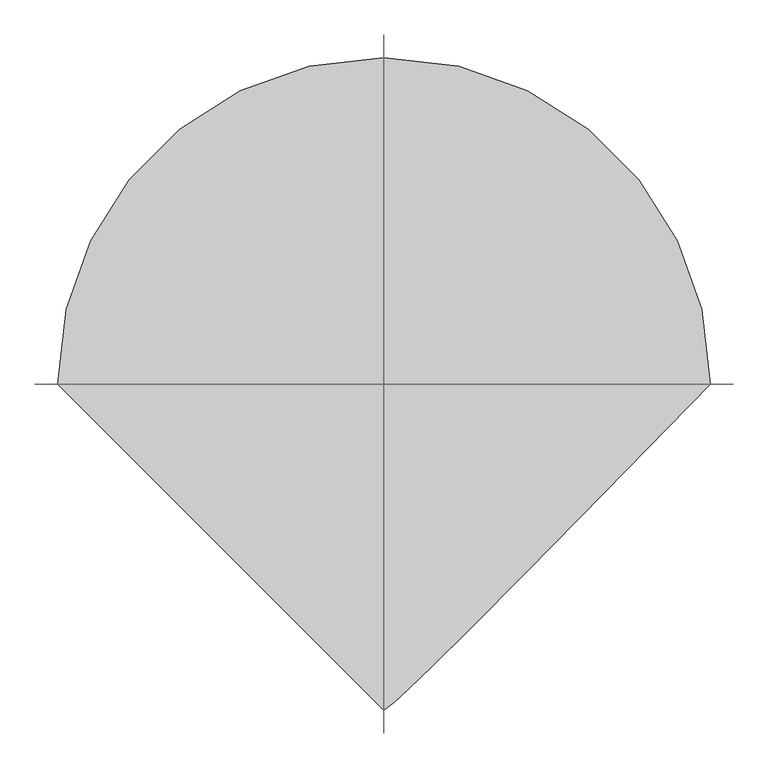
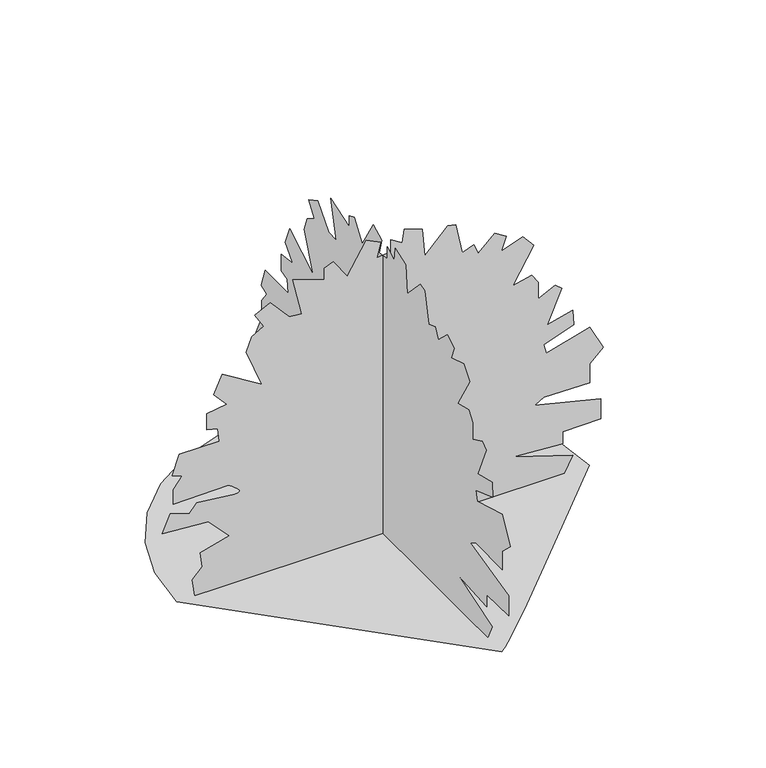
"""IFC4 building model written with IfcOpenShell, lengths in millimetres: geographic element geometry."""

import ifcopenshell
import ifcopenshell.guid

model = None  # the IFC model being written
_history = None  # IfcOwnerHistory: only IFC2X3 demands one
_inside = {}  # id of a spatial element -> (the spatial element, [elements in it])
_under = {}  # id of a project, library or spatial element -> (it, [spatial elements below it])
_declared = {}  # id of a project -> (the project, [libraries it declares])
_typed = {}  # id of a type object -> (the type object, [elements of that type])
_made_of = {}  # id of a material, layer set ... -> (it, [elements and type objects made of it])


def new_model(schema):
    """Start an empty IFC model of exactly this schema.

    Asked for "IFC4X3", IfcOpenShell would pick the latest addendum, in which some entities
    have other attributes; the version numbers below select the first issue.
    IFC2X3 requires an IfcOwnerHistory on every rooted entity: one is made here for all.
    """
    global model, _history
    if schema == "IFC4X3":
        model = ifcopenshell.file(schema_version=(4, 3, 0, 0))
    else:
        model = ifcopenshell.file(schema=schema)
    _inside.clear()
    _under.clear()
    _declared.clear()
    _typed.clear()
    _made_of.clear()
    _history = None
    if model.schema == "IFC2X3":
        org = make("IfcOrganization", Name="unknown")
        user = make(
            "IfcPersonAndOrganization",
            ThePerson=make("IfcPerson", FamilyName="unknown"),
            TheOrganization=org,
        )
        app = make(
            "IfcApplication",
            ApplicationDeveloper=org,
            Version="unknown",
            ApplicationFullName="unknown",
            ApplicationIdentifier="unknown",
        )
        _history = make(
            "IfcOwnerHistory",
            OwningUser=user,
            OwningApplication=app,
            ChangeAction="ADDED",
            CreationDate=0,
        )
    return model


def make(cls, **values):
    """One entity of the class cls with the attributes given. An attribute that is None is left unset."""
    return model.create_entity(
        cls, **{name: value for name, value in values.items() if value is not None}
    )


def rooted(cls, **values):
    """An entity with a GlobalId (a new one), such as an element, a storey or a relation."""
    return make(cls, GlobalId=ifcopenshell.guid.new(), OwnerHistory=_history, **values)


def si_unit(unit_type, name, prefix=None):
    """IfcSIUnit, for example si_unit("LENGTHUNIT", "METRE", prefix="MILLI")."""
    return make("IfcSIUnit", UnitType=unit_type, Prefix=prefix, Name=name)


def assignment(units):
    """IfcUnitAssignment: the units of a project."""
    return None if units is None else make("IfcUnitAssignment", Units=units)


def point(xyz):
    """IfcCartesianPoint."""
    return None if xyz is None else make("IfcCartesianPoint", Coordinates=xyz)


def direction(xyz):
    """IfcDirection."""
    return None if xyz is None else make("IfcDirection", DirectionRatios=xyz)


def frame(location, z_axis=None, x_axis=None):
    """IfcAxis2Placement3D, a coordinate frame: its origin and axes. An axis left out is left unset."""
    return make(
        "IfcAxis2Placement3D",
        Location=point(location),
        Axis=direction(z_axis),
        RefDirection=direction(x_axis),
    )


def origin():
    """The frame at (0, 0, 0) with its axes left unset."""
    return frame((0.0, 0.0, 0.0))


def place(relative_to, where):
    """IfcLocalPlacement: puts the frame where relative to a parent placement (None: the world)."""
    return make(
        "IfcLocalPlacement", PlacementRelTo=relative_to, RelativePlacement=where
    )


def context(
    kind, dimensions, precision=None, world=None, true_north=None, identifier=None
):
    """IfcGeometricRepresentationContext, for example the 3D "Model" context."""
    return make(
        "IfcGeometricRepresentationContext",
        ContextIdentifier=identifier,
        ContextType=kind,
        CoordinateSpaceDimension=dimensions,
        Precision=precision,
        WorldCoordinateSystem=world,
        TrueNorth=true_north,
    )


def project(units=None, contexts=None):
    """IfcProject with its units and contexts."""
    return rooted(
        "IfcProject",
        Name="project",
        RepresentationContexts=contexts,
        UnitsInContext=assignment(units),
    )


def spatial(cls, under=None, at=None, **own):
    """A site, building, storey or space (cls), placed at a placement, below another one or the project."""
    s = rooted(cls, ObjectPlacement=at, **own)
    if under is not None:
        _under.setdefault(under.id(), (under, []))[1].append(s)
    return s


def point_list(points):
    """IfcCartesianPointList2D or 3D."""
    cls = (
        "IfcCartesianPointList2D" if len(points[0]) == 2 else "IfcCartesianPointList3D"
    )
    return make(cls, CoordList=points)


def triangles(points, corners, closed=None, point_numbers=None):
    """IfcTriangulatedFaceSet: each triangle names its three corners, points numbered from 1."""
    return make(
        "IfcTriangulatedFaceSet",
        Coordinates=point_list(points),
        Closed=closed,
        CoordIndex=corners,
        PnIndex=point_numbers,
    )


def shape(context_of_items, identifier, shape_type, items):
    """IfcShapeRepresentation: the items that make up one representation, for example the "Body"."""
    return make(
        "IfcShapeRepresentation",
        ContextOfItems=context_of_items,
        RepresentationIdentifier=identifier,
        RepresentationType=shape_type,
        Items=items,
    )


def source(mapping_origin, context_of_items, identifier, shape_type, items):
    """IfcRepresentationMap: a shape defined once, which mapped items show again and again."""
    return make(
        "IfcRepresentationMap",
        MappingOrigin=mapping_origin,
        MappedRepresentation=shape(context_of_items, identifier, shape_type, items),
    )


def transform(
    local_origin,
    x_axis=None,
    y_axis=None,
    z_axis=None,
    scale=None,
    scale2=None,
    scale3=None,
    uniform=True,
):
    """IfcCartesianTransformationOperator3D, or its non-uniform kind. x_axis, y_axis, z_axis: its Axis1, 2, 3."""
    if uniform:
        return make(
            "IfcCartesianTransformationOperator3D",
            Axis1=direction(x_axis),
            Axis2=direction(y_axis),
            LocalOrigin=point(local_origin),
            Scale=scale,
            Axis3=direction(z_axis),
        )
    return make(
        "IfcCartesianTransformationOperator3DnonUniform",
        Axis1=direction(x_axis),
        Axis2=direction(y_axis),
        LocalOrigin=point(local_origin),
        Scale=scale,
        Axis3=direction(z_axis),
        Scale2=scale2,
        Scale3=scale3,
    )


def mapped(mapping_source, mapping_target):
    """IfcMappedItem: shows the shape of a source again, moved by a transform."""
    return make(
        "IfcMappedItem", MappingSource=mapping_source, MappingTarget=mapping_target
    )


def made_of(thing, what):
    """Note that an element or type object is made of a material, layer set ...; save() writes the relation."""
    if what is not None:
        _made_of.setdefault(what.id(), (what, []))[1].append(thing)
    return thing


def element(
    cls,
    number,
    at=None,
    inside=None,
    cuts=None,
    type_object=None,
    material=None,
    context=None,
    identifier="Body",
    shape_type=None,
    held_by="IfcProductDefinitionShape",
    body=None,
    shapes=None,
    **own,
):
    """One element of the class cls, such as IfcWall. Its Tag is "e" and its number.

    at: its placement. inside: the storey or other place that contains it. cuts: it is an
    opening in that element (IfcRelVoidsElement). A single representation is given by context,
    identifier, shape_type and body (its items); several are given by shapes. held_by: the class
    of the entity that holds the representations. save() writes the other relations.
    """
    e = rooted(cls, Tag="e%d" % number, ObjectPlacement=at, **own)
    if body is not None:
        shapes = [shape(context, identifier, shape_type, body)]
    if shapes is not None:
        e.Representation = make(held_by, Representations=shapes)
    if inside is not None:
        _inside.setdefault(inside.id(), (inside, []))[1].append(e)
    if cuts is not None:
        rooted(
            "IfcRelVoidsElement", RelatingBuildingElement=cuts, RelatedOpeningElement=e
        )
    if type_object is not None:
        _typed.setdefault(type_object.id(), (type_object, []))[1].append(e)
    return made_of(e, material)


def aggregate(whole, parts):
    """IfcRelAggregates: a whole, such as a stair, and the parts it consists of."""
    return rooted("IfcRelAggregates", RelatingObject=whole, RelatedObjects=parts)


def save(model, path):
    """Write the relations noted so far, then the file.

    IfcRelAggregates (storeys below a building ...), IfcRelContainedInSpatialStructure (elements
    in a storey), IfcRelDefinesByType, IfcRelAssociatesMaterial and IfcRelDeclares: one each for
    every whole, place, type object, material and project.
    """
    for whole, parts in _under.values():
        aggregate(whole, parts)
    for where, things in _inside.values():
        rooted(
            "IfcRelContainedInSpatialStructure",
            RelatedElements=things,
            RelatingStructure=where,
        )
    for kind, things in _typed.values():
        rooted("IfcRelDefinesByType", RelatedObjects=things, RelatingType=kind)
    for what, things in _made_of.values():
        rooted("IfcRelAssociatesMaterial", RelatedObjects=things, RelatingMaterial=what)
    for by, libraries in _declared.values():
        rooted("IfcRelDeclares", RelatingContext=by, RelatedDefinitions=libraries)
    model.write(path)


def geographic_element_3d88f0c5(model_context):
    return source(origin(), model_context, "Body", "Tessellation", [
        triangles([(-626.2562508, 0.0, 4.92e-05), (-609.701302, 143.4965554, 4.92e-05), (-562.5475668, 275.275058, 4.92e-05), (-488.5770092, 391.5614193, 4.92e-05), (-391.5614193, 488.5770092, 4.92e-05), (-275.275058, 562.5475668, 4.92e-05), (-143.4965554, 609.701302, 4.92e-05), (2.74e-05, 626.2562508, 4.92e-05), (143.4965554, 609.701302, 4.92e-05), (275.275058, 562.5475668, 4.92e-05), (391.5614193, 488.5770092, 4.92e-05), (488.5770092, 391.5614193, 4.92e-05), (562.5475668, 275.275058, 4.92e-05), (609.701302, 143.4965554, 4.92e-05), (626.2562508, -5.47e-05, 4.92e-05), (422.7361516, -208.7611673, 4.92e-05), (271.8569527, -362.4633044, 4.92e-05), (164.8456975, -470.2814326, 4.92e-05), (92.9272766, -541.3922084, 4.92e-05), (47.3290288, -584.9762123, 4.92e-05), (19.2778181, -610.2040329, 4.92e-05), (-8.21e-05, -626.2562508, 4.92e-05), (-2.3e-06, 570.697469, 0.0), (-2.3e-06, 578.9484189, 55.0070122), (-2.3e-06, 548.695796, 85.2609204), (-2.3e-06, 554.1955693, 132.0169782), (0.0, 466.183754, 156.8979086), (0.0, 529.4427197, 222.9062705), (0.0, 669.7113745, 233.9076339), (0.0, 644.9560541, 288.9146324), (0.0, 587.1993688, 269.6615743), (0.0, 565.1976957, 297.1655823), (0.0, 449.6818542, 283.4148409), (0.0, 438.9854141, 284.4556931), (0.0, 434.4961533, 287.3760999), (0.0, 435.1782701, 291.8578031), (0.0, 439.9959629, 297.5900113), (0.0, 447.9184808, 304.2620059), (0.0, 457.9100584, 311.5580177), (0.0, 468.9349305, 319.1697988), (0.0, 636.7051043, 316.4186585), (0.0, 636.7051043, 363.1731812), (0.0, 609.2035852, 398.9281571), (0.0, 639.4562445, 409.9302472), (0.0, 617.4545351, 470.4380728), (0.0, 496.4389203, 470.4380728), (0.0, 501.93873, 511.6928221), (0.0, 534.9425294, 519.9437719), (0.0, 534.9425294, 572.2006476), (0.0, 474.4347038, 580.4515975), (0.0, 512.94082, 624.4575233), (0.0, 488.1879704, 682.2141724), (0.0, 367.1723557, 607.9555873), (0.0, 413.9268783, 726.2200619), (0.0, 397.4249785, 770.2259514), (0.0, 361.6700389, 792.2302042), (0.0, 389.1740287, 836.2335503), (0.0, 342.4195061, 860.9889433), (0.0, 284.6603136, 794.978801), (0.0, 246.1564683, 792.2302042), (0.0, 273.6607306, 910.4946424), (0.0, 177.3977111, 877.490843), (0.0, 177.3977111, 913.2433119), (0.0, 149.8942027, 924.245402), (0.0, 108.6386904, 863.7376127), (0.0, 50.8815372, 960.0003416), (0.0, 6.875826, 937.9987049), (0.0, 17.8772779, 891.2416025), (0.0, -23.3780039, 896.7414122), (0.0, -23.3780039, 935.247492), (0.0, -59.1324871, 913.2433119), (0.0, -64.6332869, 954.5006046), (0.0, -119.640299, 935.247492), (0.0, -127.8915032, 847.235713), (0.0, -196.6502605, 918.7455923), (0.0, -221.4033644, 913.2433119), (0.0, -240.6559138, 816.9830538), (0.0, -276.4093637, 830.7338133), (0.0, -290.1626304, 797.7300138), (0.0, -339.6683295, 844.4845001), (0.0, -375.4233055, 822.4828634), (0.0, -358.9214058, 781.2281141), (0.0, -424.9290047, 803.2297508), (0.0, -457.9328041, 764.7262144), (0.0, -394.6763454, 657.4613228), (0.0, -452.4330308, 671.2145531), (0.0, -471.6860707, 640.9594231), (0.0, -471.6860707, 588.7025474), (0.0, -523.9429464, 613.4553606), (0.0, -543.1934793, 596.9534972), (0.0, -499.1875534, 495.1909224), (0.0, -576.1972787, 514.4439986), (0.0, -578.9484189, 467.6868962), (0.0, -488.1879704, 434.6830968), (0.0, -496.4389203, 404.4304739), (0.0, -628.4541544, 442.9340466), (0.0, -669.7113745, 363.1731812), (0.0, -628.4541544, 324.6696084), (0.0, -628.4541544, 264.1617828), (0.0, -488.1879704, 266.9129412), (0.0, -460.6839807, 250.4097698), (0.0, -661.4604246, 200.9035619), (0.0, -661.4604246, 137.6453592), (0.0, -545.9446195, 134.8949548), (0.0, -545.9446195, 96.3901012), (0.0, -397.4249785, 107.3914555), (0.0, -576.1972787, 49.6342932), (0.0, -551.4444291, 0.1278526), (-570.697469, -9.9e-05, 4.83e-05), (-578.9484189, -9.57e-05, 55.0070122), (-548.695796, -9.39e-05, 85.2609204), (-554.1955693, -9.12e-05, 132.0169782), (-466.183754, -8.74e-05, 156.8979086), (-529.4427197, -8.35e-05, 222.9062705), (-669.7113745, -8.28e-05, 233.9076339), (-644.9560541, -7.95e-05, 288.9146324), (-587.1993688, -8.07e-05, 269.6615743), (-565.1976957, -7.91e-05, 297.1655823), (-449.6818542, -7.99e-05, 283.4148409), (-438.9854141, -7.98e-05, 284.4556931), (-434.4961533, -7.96e-05, 287.3760999), (-435.1782701, -7.94e-05, 291.8578031), (-439.9959629, -7.9e-05, 297.5900113), (-447.9184808, -7.86e-05, 304.2620059), (-457.9100584, -7.82e-05, 311.5580177), (-468.9349305, -7.77e-05, 319.1697988), (-636.7051043, -7.79e-05, 316.4186585), (-636.7051043, -7.51e-05, 363.1731812), (-609.2035852, -7.3e-05, 398.9281571), (-639.4562445, -7.23e-05, 409.9302472), (-617.4545351, -6.87e-05, 470.4380728), (-496.4389203, -6.87e-05, 470.4380728), (-501.93873, -6.63e-05, 511.6928221), (-534.9425294, -6.58e-05, 519.9437719), (-534.9425294, -6.27e-05, 572.2006476), (-474.4347038, -6.22e-05, 580.4515975), (-512.94082, -5.95e-05, 624.4575233), (-488.1879704, -5.61e-05, 682.2141724), (-367.1723557, -6.05e-05, 607.9555873), (-413.9268783, -5.35e-05, 726.2200619), (-397.4249785, -5.09e-05, 770.2259514), (-361.6700389, -4.95e-05, 792.2302042), (-389.1740287, -4.69e-05, 836.2335503), (-342.4195061, -4.54e-05, 860.9889433), (-284.6603136, -4.94e-05, 794.978801), (-246.1564683, -4.95e-05, 792.2302042), (-273.6607306, -4.25e-05, 910.4946424), (-177.3977111, -4.45e-05, 877.490843), (-177.3977111, -4.23e-05, 913.2433119), (-149.8942027, -4.17e-05, 924.245402), (-108.6389447, -4.53e-05, 863.7376127), (-50.8815372, -3.95e-05, 960.0003416), (-6.8759015, -4.09e-05, 937.9987049), (-17.877354, -4.36e-05, 891.2416025), (23.3779539, -4.33e-05, 896.7414122), (23.3779539, -4.1e-05, 935.247492), (59.1324871, -4.23e-05, 913.2433119), (64.6332869, -3.99e-05, 954.5006046), (119.640299, -4.1e-05, 935.247492), (127.8912489, -4.63e-05, 847.235713), (196.6500062, -4.2e-05, 918.7455923), (221.4033644, -4.23e-05, 913.2433119), (240.6556777, -4.81e-05, 816.9830538), (276.4093637, -4.72e-05, 830.7338133), (290.1626304, -4.92e-05, 797.7300138), (339.6683295, -4.64e-05, 844.4845001), (375.4233055, -4.77e-05, 822.4828634), (358.9214058, -5.02e-05, 781.2281141), (424.9290047, -4.89e-05, 803.2297508), (457.9328041, -5.12e-05, 764.7262144), (394.6763454, -5.76e-05, 657.4613228), (452.4330308, -5.68e-05, 671.2145531), (471.6860707, -5.86e-05, 640.9594231), (471.6860707, -6.17e-05, 588.7025474), (523.9429464, -6.02e-05, 613.4553606), (543.1934793, -6.12e-05, 596.9534972), (499.1875534, -6.72e-05, 495.1909224), (576.1972787, -6.61e-05, 514.4439986), (578.9484189, -6.89e-05, 467.6868962), (488.1879704, -7.09e-05, 434.6830968), (496.4389203, -7.27e-05, 404.4304739), (628.4541544, -7.04e-05, 442.9340466), (669.7113745, -7.51e-05, 363.1731812), (628.4541544, -7.74e-05, 324.6696084), (628.4541544, -8.1e-05, 264.1617828), (488.1879704, -8.09e-05, 266.9129412), (460.6839807, -8.18e-05, 250.4097698), (661.4604246, -8.48e-05, 200.9035619), (661.4604246, -8.86e-05, 137.6453592), (545.9446195, -8.87e-05, 134.8952091), (545.9446195, -9.1e-05, 96.3901012), (397.4249785, -9.04e-05, 107.3917007), (576.1972787, -9.38e-05, 49.6342932), (551.4444291, -9.68e-05, 0.1279008)], [[22, 21, 1], [21, 20, 1], [20, 19, 1], [19, 18, 1], [18, 17, 1], [1, 17, 2], [2, 17, 3], [3, 17, 4], [17, 16, 4], [4, 16, 5], [5, 16, 6], [6, 16, 7], [7, 16, 8], [8, 16, 9], [9, 16, 10], [10, 16, 11], [11, 16, 12], [16, 15, 12], [15, 14, 12], [14, 13, 12], [61, 60, 62], [70, 69, 71], [29, 28, 30], [30, 28, 31], [72, 71, 73], [73, 71, 74], [92, 91, 93], [93, 91, 94], [107, 106, 108], [108, 106, 23], [52, 51, 53], [51, 50, 53], [105, 104, 106], [57, 56, 58], [58, 56, 59], [99, 98, 100], [41, 40, 42], [42, 40, 43], [44, 43, 45], [45, 43, 46], [43, 40, 46], [31, 28, 32], [103, 102, 104], [102, 101, 104], [104, 101, 106], [78, 77, 79], [23, 106, 24], [24, 106, 25], [66, 65, 67], [67, 65, 68], [25, 106, 26], [26, 106, 27], [49, 48, 50], [48, 47, 50], [81, 80, 82], [80, 79, 82], [96, 95, 97], [97, 95, 98], [98, 95, 100], [64, 63, 65], [63, 62, 65], [90, 89, 91], [89, 88, 91], [28, 27, 32], [32, 27, 33], [27, 106, 33], [33, 106, 34], [34, 106, 35], [106, 101, 35], [35, 101, 36], [84, 83, 85], [83, 82, 85], [86, 85, 87], [87, 85, 88], [71, 69, 74], [76, 75, 77], [75, 74, 77], [62, 60, 65], [82, 79, 85], [100, 95, 101], [101, 95, 36], [95, 94, 36], [94, 91, 36], [91, 88, 36], [88, 85, 36], [85, 79, 36], [79, 77, 36], [77, 74, 36], [74, 69, 36], [69, 68, 36], [68, 65, 36], [65, 60, 36], [36, 60, 37], [37, 60, 38], [60, 59, 38], [38, 59, 39], [39, 59, 40], [50, 47, 53], [47, 46, 53], [46, 40, 53], [40, 59, 53], [53, 59, 54], [59, 56, 54], [54, 56, 55], [147, 146, 148], [156, 155, 157], [115, 114, 116], [116, 114, 117], [158, 157, 159], [159, 157, 160], [178, 177, 179], [179, 177, 180], [193, 192, 194], [194, 192, 109], [138, 137, 139], [137, 136, 139], [191, 190, 192], [143, 142, 144], [144, 142, 145], [185, 184, 186], [127, 126, 128], [128, 126, 129], [130, 129, 131], [131, 129, 132], [129, 126, 132], [117, 114, 118], [189, 188, 190], [188, 187, 190], [190, 187, 192], [164, 163, 165], [109, 192, 110], [110, 192, 111], [152, 151, 153], [153, 151, 154], [111, 192, 112], [112, 192, 113], [135, 134, 136], [134, 133, 136], [167, 166, 168], [166, 165, 168], [182, 181, 183], [183, 181, 184], [184, 181, 186], [150, 149, 151], [149, 148, 151], [176, 175, 177], [175, 174, 177], [114, 113, 118], [118, 113, 119], [113, 192, 119], [119, 192, 120], [120, 192, 121], [192, 187, 121], [121, 187, 122], [170, 169, 171], [169, 168, 171], [172, 171, 173], [173, 171, 174], [157, 155, 160], [162, 161, 163], [161, 160, 163], [148, 146, 151], [168, 165, 171], [186, 181, 187], [187, 181, 122], [181, 180, 122], [180, 177, 122], [177, 174, 122], [174, 171, 122], [171, 165, 122], [165, 163, 122], [163, 160, 122], [160, 155, 122], [155, 154, 122], [154, 151, 122], [151, 146, 122], [122, 146, 123], [123, 146, 124], [146, 145, 124], [124, 145, 125], [125, 145, 126], [136, 133, 139], [133, 132, 139], [132, 126, 139], [126, 145, 139], [139, 145, 140], [145, 142, 140], [140, 142, 141]], closed=False),
    ])


if __name__ == "__main__":
    model = new_model("IFC4")
    model_context = context("Model", 3, world=origin())
    ifc_project = project(units=[si_unit("LENGTHUNIT", "METRE", prefix="MILLI")], contexts=[model_context])
    site = spatial("IfcSite", under=ifc_project)
    building = spatial("IfcBuilding", under=site)
    placement = place(None, origin())
    geographic_element_shape = geographic_element_3d88f0c5(model_context)
    element("IfcGeographicElement", 1, at=placement, inside=building, context=model_context, shape_type="MappedRepresentation", body=[
        mapped(geographic_element_shape, transform((0.0, 0.0, 0.0), x_axis=(1.0, 0.0, 0.0), y_axis=(0.0, 1.0, 0.0), z_axis=(0.0, 0.0, 1.0))),
    ])
    save(model, "model.ifc")
